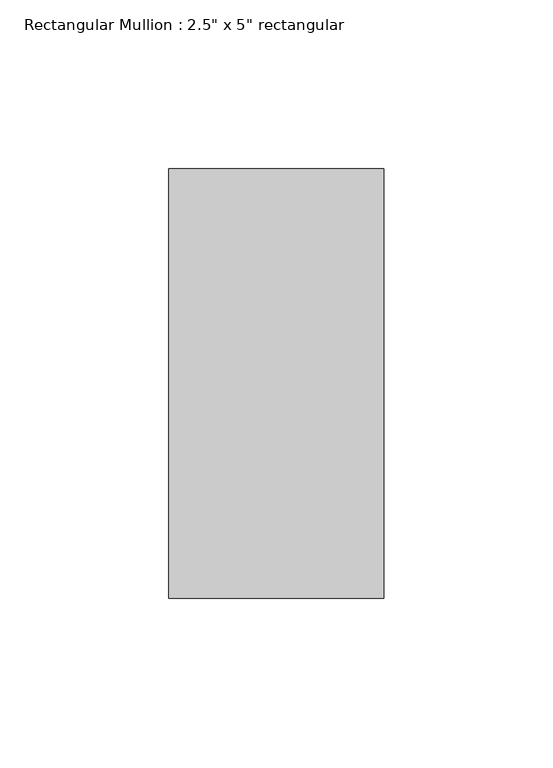
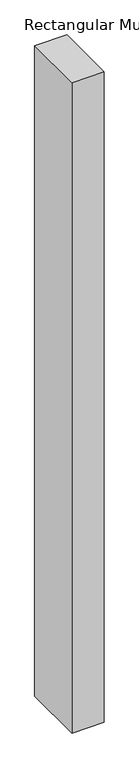
"""IFC4 building model written with IfcOpenShell, lengths in millimetres: member geometry."""

from ifc_helpers import new_model, si_unit, frame, origin, place, context, project, spatial, polyline, outline, extrude, source, transform, mapped, element, save


def member_ba9b5131(model_context):
    return source(origin(), model_context, "Body", "SweptSolid", [
        extrude(outline(polyline([(0.0, 63.5), (0.0, -63.5), (-63.5, -63.5), (-63.5, 63.5), (0.0, 63.5)])), frame((0.0, 0.0, -1356.2403241), z_axis=(0.0, 0.0, 1.0), x_axis=(1.0, 0.0, 0.0)), (0.0, 0.0, 1.0), 1356.2403241),
    ])


if __name__ == "__main__":
    model = new_model("IFC4")
    model_context = context("Model", 3, world=origin())
    ifc_project = project(units=[si_unit("LENGTHUNIT", "METRE", prefix="MILLI")], contexts=[model_context])
    site = spatial("IfcSite", under=ifc_project)
    building = spatial("IfcBuilding", under=site)
    placement = place(None, origin())
    member_shape = member_ba9b5131(model_context)
    element("IfcMember", 1, ObjectType="Rectangular Mullion : 2.5\" x 5\" rectangular", at=placement, inside=building, context=model_context, shape_type="MappedRepresentation", body=[
        mapped(member_shape, transform((0.0, 0.0, 0.0), x_axis=(1.0, 0.0, 0.0), y_axis=(0.0, 1.0, 0.0), z_axis=(0.0, 0.0, 1.0))),
    ])
    save(model, "model.ifc")
